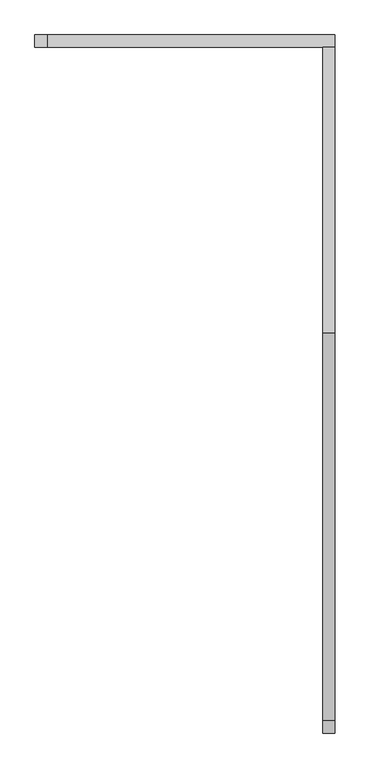
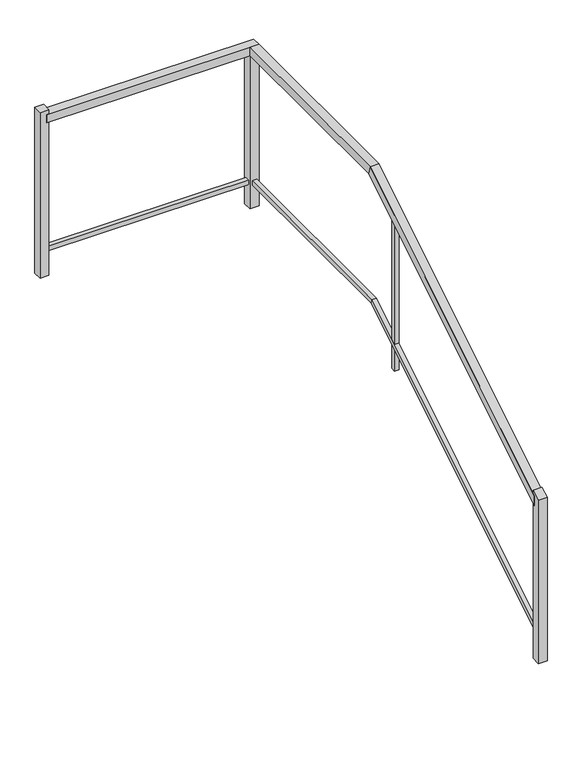
"""IFC4 building model written with IfcOpenShell, lengths in millimetres: railing geometry."""

from ifc_helpers import new_model, si_unit, frame, origin, place, context, project, spatial, polyline, outline, extrude, faceted_brep, source, transform, mapped, element, save


def railing_5cc7782f(model_context):
    return source(origin(), model_context, "Body", "SolidModel", [
        faceted_brep([(-17068.4805784, 119392.2077715, -2504.8876813), (-17119.2805784, 119392.2077715, -2504.8876813), (-17119.2805784, 119392.2077715, -2564.5860029), (-17068.4805784, 119392.2077715, -2564.5860029), (-17068.4805784, 121016.999852, -1501.9684211), (-17119.2805784, 121016.999852, -1501.9684211), (-17119.2805784, 121031.4156909, -1552.7684211), (-17068.4805784, 121031.4156909, -1552.7684211), (-17068.4805784, 122208.2501734, -1501.9684211), (-17068.4805784, 122208.2501734, -1552.7684211), (-17119.2805784, 122208.2501734, -1552.7684211), (-17119.2805784, 122208.2501734, -1501.9684211)], [[[0, 1, 2, 3]], [[1, 0, 4, 5]], [[2, 1, 5, 6]], [[3, 2, 6, 7]], [[0, 3, 7, 4]], [[8, 9, 10, 11]], [[5, 4, 8, 11]], [[6, 5, 11, 10]], [[7, 6, 10, 9]], [[4, 7, 9, 8]]]),
        faceted_brep([(-17068.4805784, 122259.0501734, -1501.9684211), (-17068.4805784, 122208.2501734, -1501.9684211), (-17068.4805784, 122208.2501734, -1552.7684211), (-17068.4805784, 122259.0501734, -1552.7684211), (-18280.9391727, 122259.0501734, -1501.9684211), (-18280.9391727, 122259.0501734, -1552.7684211), (-18280.9391727, 122208.2501734, -1552.7684211), (-18280.9391727, 122208.2501734, -1501.9684211)], [[[0, 1, 2, 3]], [[4, 5, 6, 7]], [[1, 0, 4, 7]], [[2, 1, 7, 6]], [[3, 2, 6, 5]], [[0, 3, 5, 4]]]),
        faceted_brep([(-17081.1805784, 119392.2077715, -3317.4122617), (-17106.5805784, 119392.2077715, -3317.4122617), (-17106.5805784, 119392.2077715, -3347.2614225), (-17081.1805784, 119392.2077715, -3347.2614225), (-17081.1805784, 121020.6038117, -2312.2684211), (-17106.5805784, 121020.6038117, -2312.2684211), (-17106.5805784, 121027.8117312, -2337.6684211), (-17081.1805784, 121027.8117312, -2337.6684211), (-17081.1805784, 122220.9501734, -2312.2684211), (-17081.1805784, 122220.9501734, -2337.6684211), (-17106.5805784, 122220.9501734, -2337.6684211), (-17106.5805784, 122220.9501734, -2312.2684211)], [[[0, 1, 2, 3]], [[1, 0, 4, 5]], [[2, 1, 5, 6]], [[3, 2, 6, 7]], [[0, 3, 7, 4]], [[8, 9, 10, 11]], [[5, 4, 8, 11]], [[6, 5, 11, 10]], [[7, 6, 10, 9]], [[4, 7, 9, 8]]]),
        faceted_brep([(-17081.1805784, 122246.3501734, -2312.2684211), (-17081.1805784, 122220.9501734, -2312.2684211), (-17081.1805784, 122220.9501734, -2337.6684211), (-17081.1805784, 122246.3501734, -2337.6684211), (-18280.9391727, 122246.3501734, -2312.2684211), (-18280.9391727, 122246.3501734, -2337.6684211), (-18280.9391727, 122220.9501734, -2337.6684211), (-18280.9391727, 122220.9501734, -2312.2684211)], [[[0, 1, 2, 3]], [[4, 5, 6, 7]], [[1, 0, 4, 7]], [[2, 1, 7, 6]], [[3, 2, 6, 5]], [[0, 3, 5, 4]]]),
        extrude(outline(polyline([(120800.2289725, -1652.9215884), (120825.6289725, -1637.2431828), (120825.6289725, -2607.7823856), (120800.2289725, -2607.7823856), (120800.2289725, -1652.9215884)])), frame((-17106.5805784, 0.0, 0.0), z_axis=(1.0, 0.0, 0.0), x_axis=(0.0, 1.0, 0.0)), (0.0, 0.0, 1.0), 25.4),
        extrude(outline(polyline([(-17119.2805784, 122208.2501734), (-17119.2805784, 122259.0501734), (-17068.4805784, 122259.0501734), (-17068.4805784, 122208.2501734), (-17119.2805784, 122208.2501734)])), frame((0.0, 0.0, -2477.3684211), z_axis=(0.0, 0.0, 1.0), x_axis=(1.0, 0.0, 0.0)), (0.0, 0.0, 1.0), 924.6),
        extrude(outline(polyline([(-18268.2391727, 122208.2501734), (-18319.0391727, 122208.2501734), (-18319.0391727, 122259.0501734), (-18268.2391727, 122259.0501734), (-18268.2391727, 122208.2501734)])), frame((0.0, 0.0, -2477.3684211), z_axis=(0.0, 0.0, 1.0), x_axis=(1.0, 0.0, 0.0)), (0.0, 0.0, 1.0), 1000.9),
        extrude(outline(polyline([(119354.1077715, -2507.3544505), (119404.9077715, -2475.9976393), (119404.9077715, -3492.5760449), (119354.1077715, -3492.5760449), (119354.1077715, -2507.3544505)])), frame((-17119.2805784, 0.0, 0.0), z_axis=(1.0, 0.0, 0.0), x_axis=(0.0, 1.0, 0.0)), (0.0, 0.0, 1.0), 50.8),
    ])


if __name__ == "__main__":
    model = new_model("IFC4")
    model_context = context("Model", 3, world=origin())
    ifc_project = project(units=[si_unit("LENGTHUNIT", "METRE", prefix="MILLI")], contexts=[model_context])
    site = spatial("IfcSite", under=ifc_project)
    building = spatial("IfcBuilding", under=site)
    placement = place(None, origin())
    railing_shape = railing_5cc7782f(model_context)
    element("IfcRailing", 1, at=placement, inside=building, context=model_context, shape_type="MappedRepresentation", body=[
        mapped(railing_shape, transform((0.0, 0.0, 0.0), x_axis=(1.0, 0.0, 0.0), y_axis=(0.0, 1.0, 0.0), z_axis=(0.0, 0.0, 1.0))),
    ])
    save(model, "model.ifc")
